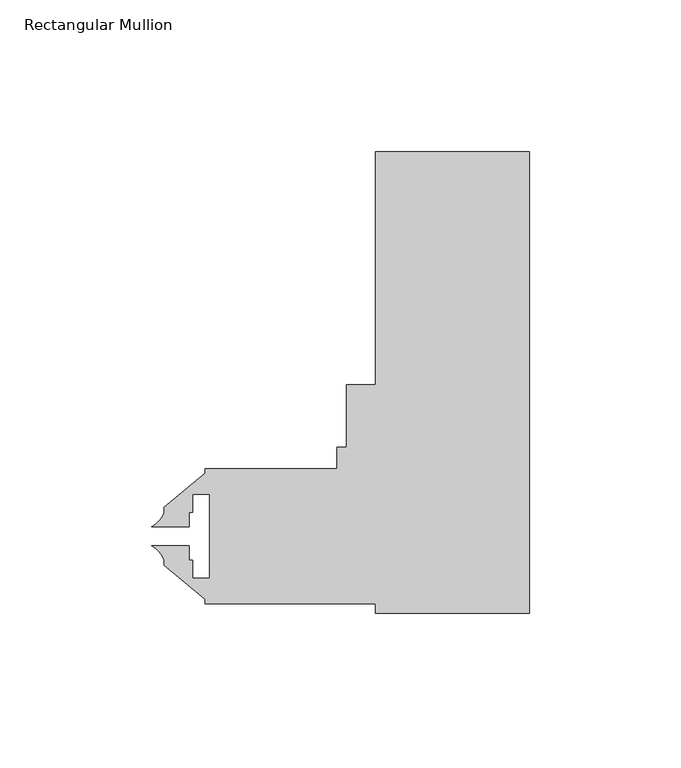
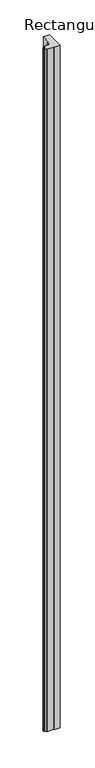
"""IFC4 building model written with IfcOpenShell, lengths in millimetres: member geometry, Rectangular Mullion."""

from ifc_helpers import new_model, si_unit, point, frame, frame_2d, origin, place, context, project, spatial, polyline, circle_curve, trimmed, segment, composite_curve, outline, extrude, source, transform, mapped, element, save


def rectangular_mullion_4af83b31(model_context):
    return source(origin(), model_context, "Body", "SweptSolid", [
        extrude(outline(composite_curve([segment(polyline([(0.0, 76.2), (0.0, -71.8784304), (0.0, -76.2), (-50.8, -76.2), (-50.8, -73.025), (-107.15625, -73.025), (-107.15625, -71.6308333), (-120.61825, -60.334874), (-120.61825, -58.6467397)]), True, "CONTINUOUS"), segment(trimmed(circle_curve(frame_2d((-127.9942524, -61.0368961)), 7.7535965), [point((-120.61825, -58.6467397))], [point((-124.8160584, -53.9646021))], True, "CARTESIAN"), True, "CONTINUOUS"), segment(polyline([(-124.8160584, -53.9646021), (-112.32348, -53.9646021), (-112.32348, -58.72734), (-111.19485, -58.72734), (-111.19485, -64.69634), (-105.58145, -64.69634), (-105.58145, -36.90874), (-111.19485, -36.90874), (-111.19485, -42.87774), (-112.32348, -42.87774), (-112.32348, -47.6404779), (-124.8160584, -47.6404779)]), True, "CONTINUOUS"), segment(trimmed(circle_curve(frame_2d((-127.9942524, -40.5681839)), 7.7535965), [point((-124.8160584, -47.6404779))], [point((-120.61825, -42.9583403))], True, "CARTESIAN"), True, "CONTINUOUS"), segment(polyline([(-120.61825, -42.9583403), (-120.61825, -41.270206), (-107.15625, -29.9742467), (-107.15625, -28.575), (-63.5, -28.575), (-63.5, -21.4122), (-60.325, -21.4122), (-60.325, -0.7874), (-50.8, -0.7874), (-50.8, 76.2), (0.0, 76.2)]), True, "CONTINUOUS")], self_intersect=False)), frame((0.0, 0.0, -6096.0), z_axis=(0.0, 0.0, 1.0), x_axis=(1.0, 0.0, 0.0)), (0.0, 0.0, 1.0), 6096.0),
    ])


if __name__ == "__main__":
    model = new_model("IFC4")
    model_context = context("Model", 3, world=origin())
    ifc_project = project(units=[si_unit("LENGTHUNIT", "METRE", prefix="MILLI")], contexts=[model_context])
    site = spatial("IfcSite", under=ifc_project)
    building = spatial("IfcBuilding", under=site)
    placement = place(None, origin())
    rectangular_mullion_shape = rectangular_mullion_4af83b31(model_context)
    element("IfcMember", 1, ObjectType="Rectangular Mullion", at=placement, inside=building, context=model_context, shape_type="MappedRepresentation", body=[
        mapped(rectangular_mullion_shape, transform((0.0, 0.0, 0.0), x_axis=(1.0, 0.0, 0.0), y_axis=(0.0, 1.0, 0.0), z_axis=(0.0, 0.0, 1.0))),
    ])
    save(model, "model.ifc")
